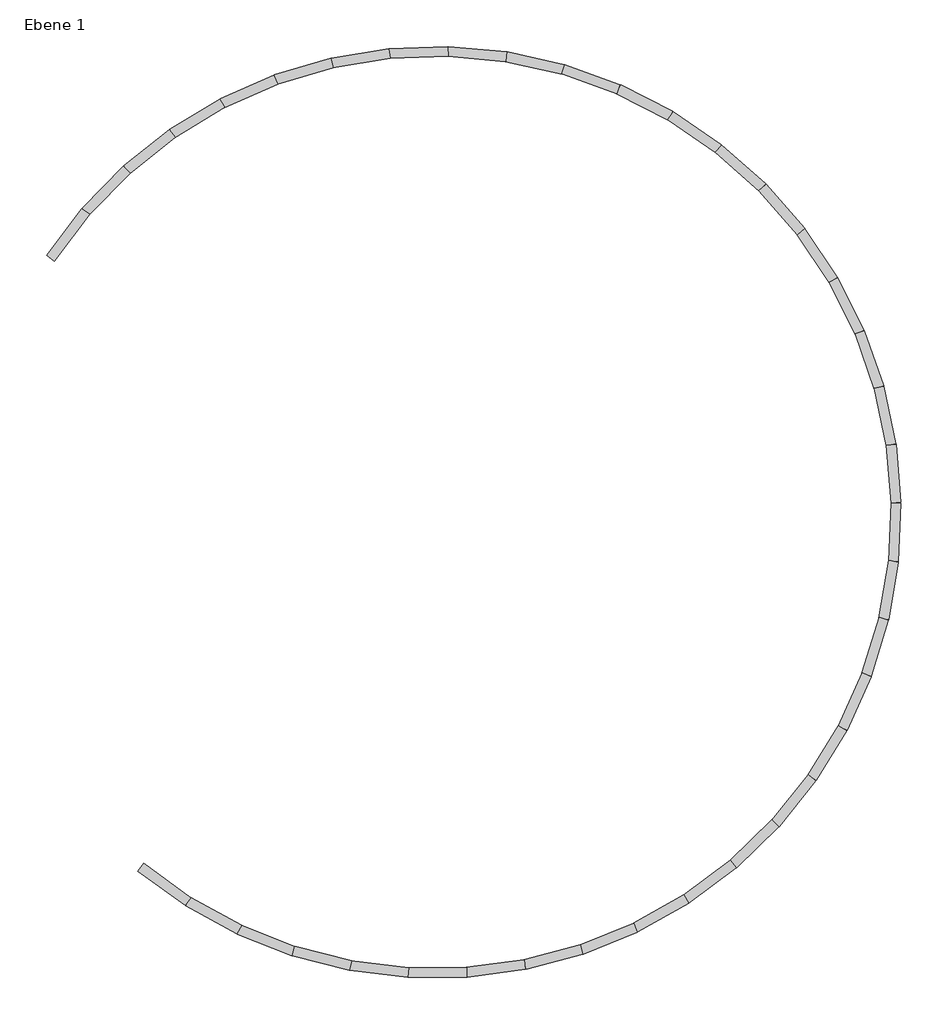
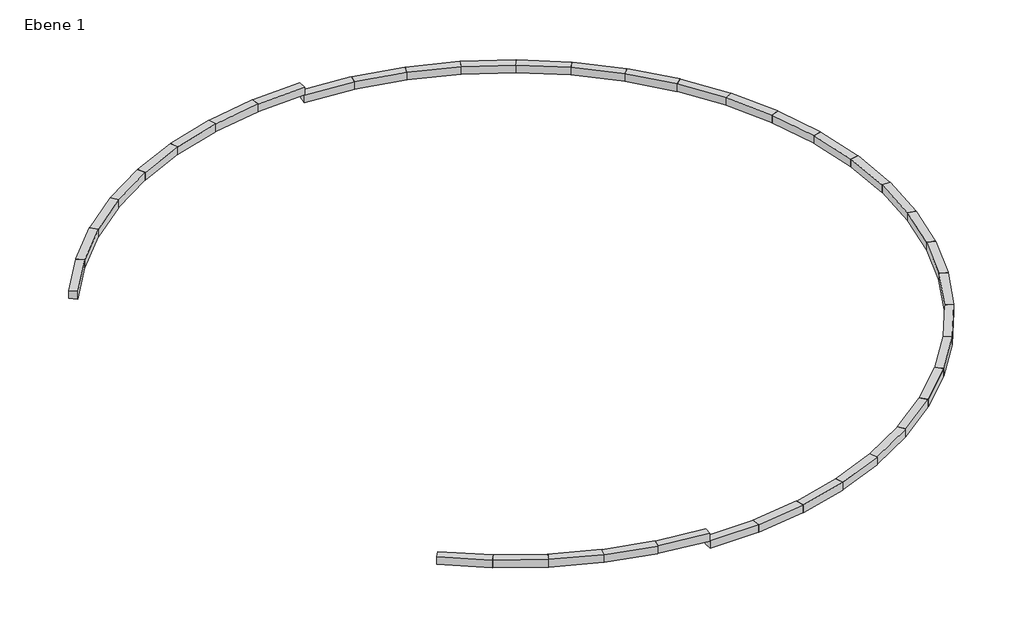
# One storey: 38 proxies.
"""IFC4 building model written with IfcOpenShell, lengths in millimetres."""

import ifcopenshell
import ifcopenshell.guid

model = None  # the IFC model being written
_history = None  # IfcOwnerHistory: only IFC2X3 demands one
_inside = {}  # id of a spatial element -> (the spatial element, [elements in it])
_under = {}  # id of a project, library or spatial element -> (it, [spatial elements below it])
_declared = {}  # id of a project -> (the project, [libraries it declares])
_typed = {}  # id of a type object -> (the type object, [elements of that type])
_made_of = {}  # id of a material, layer set ... -> (it, [elements and type objects made of it])


def new_model(schema):
    """Start an empty IFC model of exactly this schema.

    Asked for "IFC4X3", IfcOpenShell would pick the latest addendum, in which some entities
    have other attributes; the version numbers below select the first issue.
    IFC2X3 requires an IfcOwnerHistory on every rooted entity: one is made here for all.
    """
    global model, _history
    if schema == "IFC4X3":
        model = ifcopenshell.file(schema_version=(4, 3, 0, 0))
    else:
        model = ifcopenshell.file(schema=schema)
    _inside.clear()
    _under.clear()
    _declared.clear()
    _typed.clear()
    _made_of.clear()
    _history = None
    if model.schema == "IFC2X3":
        org = make("IfcOrganization", Name="unknown")
        user = make(
            "IfcPersonAndOrganization",
            ThePerson=make("IfcPerson", FamilyName="unknown"),
            TheOrganization=org,
        )
        app = make(
            "IfcApplication",
            ApplicationDeveloper=org,
            Version="unknown",
            ApplicationFullName="unknown",
            ApplicationIdentifier="unknown",
        )
        _history = make(
            "IfcOwnerHistory",
            OwningUser=user,
            OwningApplication=app,
            ChangeAction="ADDED",
            CreationDate=0,
        )
    return model


def make(cls, **values):
    """One entity of the class cls with the attributes given. An attribute that is None is left unset."""
    return model.create_entity(
        cls, **{name: value for name, value in values.items() if value is not None}
    )


def rooted(cls, **values):
    """An entity with a GlobalId (a new one), such as an element, a storey or a relation."""
    return make(cls, GlobalId=ifcopenshell.guid.new(), OwnerHistory=_history, **values)


def si_unit(unit_type, name, prefix=None):
    """IfcSIUnit, for example si_unit("LENGTHUNIT", "METRE", prefix="MILLI")."""
    return make("IfcSIUnit", UnitType=unit_type, Prefix=prefix, Name=name)


def assignment(units):
    """IfcUnitAssignment: the units of a project."""
    return None if units is None else make("IfcUnitAssignment", Units=units)


def point(xyz):
    """IfcCartesianPoint."""
    return None if xyz is None else make("IfcCartesianPoint", Coordinates=xyz)


def direction(xyz):
    """IfcDirection."""
    return None if xyz is None else make("IfcDirection", DirectionRatios=xyz)


def frame(location, z_axis=None, x_axis=None):
    """IfcAxis2Placement3D, a coordinate frame: its origin and axes. An axis left out is left unset."""
    return make(
        "IfcAxis2Placement3D",
        Location=point(location),
        Axis=direction(z_axis),
        RefDirection=direction(x_axis),
    )


def origin():
    """The frame at (0, 0, 0) with its axes left unset."""
    return frame((0.0, 0.0, 0.0))


def origin_with_axes():
    """The frame at (0, 0, 0) with the z axis (0, 0, 1) and the x axis (1, 0, 0) written out."""
    return frame((0.0, 0.0, 0.0), z_axis=(0.0, 0.0, 1.0), x_axis=(1.0, 0.0, 0.0))


def place(relative_to, where):
    """IfcLocalPlacement: puts the frame where relative to a parent placement (None: the world)."""
    return make(
        "IfcLocalPlacement", PlacementRelTo=relative_to, RelativePlacement=where
    )


def context(
    kind, dimensions, precision=None, world=None, true_north=None, identifier=None
):
    """IfcGeometricRepresentationContext, for example the 3D "Model" context."""
    return make(
        "IfcGeometricRepresentationContext",
        ContextIdentifier=identifier,
        ContextType=kind,
        CoordinateSpaceDimension=dimensions,
        Precision=precision,
        WorldCoordinateSystem=world,
        TrueNorth=true_north,
    )


def project(units=None, contexts=None):
    """IfcProject with its units and contexts."""
    return rooted(
        "IfcProject",
        Name="project",
        RepresentationContexts=contexts,
        UnitsInContext=assignment(units),
    )


def spatial(cls, under=None, at=None, **own):
    """A site, building, storey or space (cls), placed at a placement, below another one or the project."""
    s = rooted(cls, ObjectPlacement=at, **own)
    if under is not None:
        _under.setdefault(under.id(), (under, []))[1].append(s)
    return s


def polyline(points):
    """IfcPolyline through the points."""
    return make("IfcPolyline", Points=[point(p) for p in points])


def outline(outer, holes=None, kind="AREA"):
    """IfcArbitraryClosedProfileDef: a profile drawn as a closed curve; with holes, ...WithVoids."""
    if holes is None:
        return make("IfcArbitraryClosedProfileDef", ProfileType=kind, OuterCurve=outer)
    return make(
        "IfcArbitraryProfileDefWithVoids",
        ProfileType=kind,
        OuterCurve=outer,
        InnerCurves=holes,
    )


def extrude(swept, where, along, depth):
    """IfcExtrudedAreaSolid: the profile swept, set in the frame where, extruded along a direction by depth."""
    return make(
        "IfcExtrudedAreaSolid",
        SweptArea=swept,
        Position=where,
        ExtrudedDirection=direction(along),
        Depth=depth,
    )


def shape(context_of_items, identifier, shape_type, items):
    """IfcShapeRepresentation: the items that make up one representation, for example the "Body"."""
    return make(
        "IfcShapeRepresentation",
        ContextOfItems=context_of_items,
        RepresentationIdentifier=identifier,
        RepresentationType=shape_type,
        Items=items,
    )


def source(mapping_origin, context_of_items, identifier, shape_type, items):
    """IfcRepresentationMap: a shape defined once, which mapped items show again and again."""
    return make(
        "IfcRepresentationMap",
        MappingOrigin=mapping_origin,
        MappedRepresentation=shape(context_of_items, identifier, shape_type, items),
    )


def transform(
    local_origin,
    x_axis=None,
    y_axis=None,
    z_axis=None,
    scale=None,
    scale2=None,
    scale3=None,
    uniform=True,
):
    """IfcCartesianTransformationOperator3D, or its non-uniform kind. x_axis, y_axis, z_axis: its Axis1, 2, 3."""
    if uniform:
        return make(
            "IfcCartesianTransformationOperator3D",
            Axis1=direction(x_axis),
            Axis2=direction(y_axis),
            LocalOrigin=point(local_origin),
            Scale=scale,
            Axis3=direction(z_axis),
        )
    return make(
        "IfcCartesianTransformationOperator3DnonUniform",
        Axis1=direction(x_axis),
        Axis2=direction(y_axis),
        LocalOrigin=point(local_origin),
        Scale=scale,
        Axis3=direction(z_axis),
        Scale2=scale2,
        Scale3=scale3,
    )


def mapped(mapping_source, mapping_target):
    """IfcMappedItem: shows the shape of a source again, moved by a transform."""
    return make(
        "IfcMappedItem", MappingSource=mapping_source, MappingTarget=mapping_target
    )


def made_of(thing, what):
    """Note that an element or type object is made of a material, layer set ...; save() writes the relation."""
    if what is not None:
        _made_of.setdefault(what.id(), (what, []))[1].append(thing)
    return thing


def element(
    cls,
    number,
    at=None,
    inside=None,
    cuts=None,
    type_object=None,
    material=None,
    context=None,
    identifier="Body",
    shape_type=None,
    held_by="IfcProductDefinitionShape",
    body=None,
    shapes=None,
    **own,
):
    """One element of the class cls, such as IfcWall. Its Tag is "e" and its number.

    at: its placement. inside: the storey or other place that contains it. cuts: it is an
    opening in that element (IfcRelVoidsElement). A single representation is given by context,
    identifier, shape_type and body (its items); several are given by shapes. held_by: the class
    of the entity that holds the representations. save() writes the other relations.
    """
    e = rooted(cls, Tag="e%d" % number, ObjectPlacement=at, **own)
    if body is not None:
        shapes = [shape(context, identifier, shape_type, body)]
    if shapes is not None:
        e.Representation = make(held_by, Representations=shapes)
    if inside is not None:
        _inside.setdefault(inside.id(), (inside, []))[1].append(e)
    if cuts is not None:
        rooted(
            "IfcRelVoidsElement", RelatingBuildingElement=cuts, RelatedOpeningElement=e
        )
    if type_object is not None:
        _typed.setdefault(type_object.id(), (type_object, []))[1].append(e)
    return made_of(e, material)


def aggregate(whole, parts):
    """IfcRelAggregates: a whole, such as a stair, and the parts it consists of."""
    return rooted("IfcRelAggregates", RelatingObject=whole, RelatedObjects=parts)


def save(model, path):
    """Write the relations noted so far, then the file.

    IfcRelAggregates (storeys below a building ...), IfcRelContainedInSpatialStructure (elements
    in a storey), IfcRelDefinesByType, IfcRelAssociatesMaterial and IfcRelDeclares: one each for
    every whole, place, type object, material and project.
    """
    for whole, parts in _under.values():
        aggregate(whole, parts)
    for where, things in _inside.values():
        rooted(
            "IfcRelContainedInSpatialStructure",
            RelatedElements=things,
            RelatingStructure=where,
        )
    for kind, things in _typed.values():
        rooted("IfcRelDefinesByType", RelatedObjects=things, RelatingType=kind)
    for what, things in _made_of.values():
        rooted("IfcRelAssociatesMaterial", RelatedObjects=things, RelatingMaterial=what)
    for by, libraries in _declared.values():
        rooted("IfcRelDeclares", RelatingContext=by, RelatedDefinitions=libraries)
    model.write(path)


def box_adaptive_3point_box_adaptive_3point_2b2ba6e6(model_context):
    return source(origin(), model_context, "Body", "SweptSolid", [
        extrude(outline(polyline([(6000.0, -500.0), (0.0, -500.0), (0.0, 500.0), (6000.0, 500.0), (6000.0, -500.0)])), origin_with_axes(), (0.0, 0.0, 1.0), 1000.0),
    ])


model = new_model("IFC4")

# Units and contexts
model_context = context("Model", 3, world=origin())
ifc_project = project(units=[si_unit("LENGTHUNIT", "METRE", prefix="MILLI")], contexts=[model_context])

# Site, building, storey
site = spatial("IfcSite", under=ifc_project)
building = spatial("IfcBuilding", under=site)
storey = spatial("IfcBuildingStorey", under=building, Name="Ebene 1", Elevation=0.0)

# Proxies
placement = place(None, origin())
box_adaptive_3point_box_adaptive_3point_shape = box_adaptive_3point_box_adaptive_3point_2b2ba6e6(model_context)
element("IfcBuildingElementProxy", 1, Name="BOX_ADAPTIVE_3point : BOX_ADAPTIVE_3point", ObjectType="BOX_ADAPTIVE_3point : BOX_ADAPTIVE_3point", at=placement, inside=storey, context=model_context, shape_type="MappedRepresentation", body=[
    mapped(box_adaptive_3point_box_adaptive_3point_shape, transform((-20653.4331159, 7399.9712365, 0.0), x_axis=(0.8085888646382557, -0.5883740714741061, 0.0), y_axis=(0.5883740714741061, 0.8085888646382557, 0.0), z_axis=(0.0, 0.0, 1.0))),
])
element("IfcBuildingElementProxy", 2, Name="BOX_ADAPTIVE_3point : BOX_ADAPTIVE_3point", ObjectType="BOX_ADAPTIVE_3point : BOX_ADAPTIVE_3point", at=placement, inside=storey, context=model_context, shape_type="MappedRepresentation", body=[
    mapped(box_adaptive_3point_box_adaptive_3point_shape, transform((-15801.8999325, 3869.7268108, 0.0), x_axis=(0.8765374257512419, -0.4813337109089555, 0.0), y_axis=(0.4813337109089555, 0.8765374257512419, 0.0), z_axis=(0.0, 0.0, 1.0))),
])
element("IfcBuildingElementProxy", 3, Name="BOX_ADAPTIVE_3point : BOX_ADAPTIVE_3point", ObjectType="BOX_ADAPTIVE_3point : BOX_ADAPTIVE_3point", at=placement, inside=storey, context=model_context, shape_type="MappedRepresentation", body=[
    mapped(box_adaptive_3point_box_adaptive_3point_shape, transform((-10542.6753827, 981.724548, 0.0), x_axis=(0.9303959582610765, -0.3665560814547396, 0.0), y_axis=(0.3665560814547396, 0.9303959582610765, 0.0), z_axis=(0.0, 0.0, 1.0))),
])
element("IfcBuildingElementProxy", 4, Name="BOX_ADAPTIVE_3point : BOX_ADAPTIVE_3point", ObjectType="BOX_ADAPTIVE_3point : BOX_ADAPTIVE_3point", at=placement, inside=storey, context=model_context, shape_type="MappedRepresentation", body=[
    mapped(box_adaptive_3point_box_adaptive_3point_shape, transform((-4960.2996382, -1217.6119388, 0.0), x_axis=(0.9692987053371983, -0.2458861928446401, 0.0), y_axis=(0.2458861928446401, 0.9692987053371983, 0.0), z_axis=(0.0, 0.0, 1.0))),
])
element("IfcBuildingElementProxy", 5, Name="BOX_ADAPTIVE_3point : BOX_ADAPTIVE_3point", ObjectType="BOX_ADAPTIVE_3point : BOX_ADAPTIVE_3point", at=placement, inside=storey, context=model_context, shape_type="MappedRepresentation", body=[
    mapped(box_adaptive_3point_box_adaptive_3point_shape, transform((855.4925886, -2692.9290945, 0.0), x_axis=(0.9926203191017638, -0.1212637707904253, 0.0), y_axis=(0.1212637707904253, 0.9926203191017638, 0.0), z_axis=(0.0, 0.0, 1.0))),
])
element("IfcBuildingElementProxy", 6, Name="BOX_ADAPTIVE_3point : BOX_ADAPTIVE_3point", ObjectType="BOX_ADAPTIVE_3point : BOX_ADAPTIVE_3point", at=placement, inside=storey, context=model_context, shape_type="MappedRepresentation", body=[
    mapped(box_adaptive_3point_box_adaptive_3point_shape, transform((6811.2144978, -3420.5117186, 0.0), x_axis=(0.9999859128752537, 0.005307923421219801, 0.0), y_axis=(0.005307923421219801, -0.9999859128752537, 0.0), z_axis=(0.0, 0.0, -1.0))),
])
element("IfcBuildingElementProxy", 7, Name="BOX_ADAPTIVE_3point : BOX_ADAPTIVE_3point", ObjectType="BOX_ADAPTIVE_3point : BOX_ADAPTIVE_3point", at=placement, inside=storey, context=model_context, shape_type="MappedRepresentation", body=[
    mapped(box_adaptive_3point_box_adaptive_3point_shape, transform((12811.1299696, -3388.6641781, 0.0), x_axis=(0.9912770873470411, 0.13179429464421794, 0.0), y_axis=(0.13179429464421794, -0.9912770873470411, 0.0), z_axis=(0.0, 0.0, -1.0))),
])
element("IfcBuildingElementProxy", 8, Name="BOX_ADAPTIVE_3point : BOX_ADAPTIVE_3point", ObjectType="BOX_ADAPTIVE_3point : BOX_ADAPTIVE_3point", at=placement, inside=storey, context=model_context, shape_type="MappedRepresentation", body=[
    mapped(box_adaptive_3point_box_adaptive_3point_shape, transform((18758.7924883, -2597.8984109, 0.0), x_axis=(0.9666338338023661, 0.25616211926930077, 0.0), y_axis=(0.25616211926930077, -0.9666338338023661, 0.0), z_axis=(0.0, 0.0, -1.0))),
])
element("IfcBuildingElementProxy", 9, Name="BOX_ADAPTIVE_3point : BOX_ADAPTIVE_3point", ObjectType="BOX_ADAPTIVE_3point : BOX_ADAPTIVE_3point", at=placement, inside=storey, context=model_context, shape_type="MappedRepresentation", body=[
    mapped(box_adaptive_3point_box_adaptive_3point_shape, transform((24558.5954859, -1060.9256967, 0.0), x_axis=(0.9264522838120198, 0.37641222857326595, 0.0), y_axis=(0.37641222857326595, -0.9264522838120198, 0.0), z_axis=(0.0, 0.0, -1.0))),
])
element("IfcBuildingElementProxy", 10, Name="BOX_ADAPTIVE_3point : BOX_ADAPTIVE_3point", ObjectType="BOX_ADAPTIVE_3point : BOX_ADAPTIVE_3point", at=placement, inside=storey, context=model_context, shape_type="MappedRepresentation", body=[
    mapped(box_adaptive_3point_box_adaptive_3point_shape, transform((30117.3091837, 1197.5476727, 0.0), x_axis=(0.8713783415576714, 0.4906116446479869, 0.0), y_axis=(0.4906116446479869, -0.8713783415576714, 0.0), z_axis=(0.0, 0.0, -1.0))),
])
element("IfcBuildingElementProxy", 11, Name="BOX_ADAPTIVE_3point : BOX_ADAPTIVE_3point", ObjectType="BOX_ADAPTIVE_3point : BOX_ADAPTIVE_3point", at=placement, inside=storey, context=model_context, shape_type="MappedRepresentation", body=[
    mapped(box_adaptive_3point_box_adaptive_3point_shape, transform((35345.5792283, 4141.2175379, 0.0), x_axis=(0.8022973011509626, 0.5969246523355201, 0.0), y_axis=(0.5969246523355201, -0.8022973011509626, 0.0), z_axis=(0.0, 0.0, -1.0))),
])
element("IfcBuildingElementProxy", 12, Name="BOX_ADAPTIVE_3point : BOX_ADAPTIVE_3point", ObjectType="BOX_ADAPTIVE_3point : BOX_ADAPTIVE_3point", at=placement, inside=storey, context=model_context, shape_type="MappedRepresentation", body=[
    mapped(box_adaptive_3point_box_adaptive_3point_shape, transform((40159.3630309, 7722.7654487, 0.0), x_axis=(0.7203196158442836, 0.6936423076989637, 0.0), y_axis=(0.6936423076989637, -0.7203196158442836, 0.0), z_axis=(0.0, 0.0, -1.0))),
])
element("IfcBuildingElementProxy", 13, Name="BOX_ADAPTIVE_3point : BOX_ADAPTIVE_3point", ObjectType="BOX_ADAPTIVE_3point : BOX_ADAPTIVE_3point", at=placement, inside=storey, context=model_context, shape_type="MappedRepresentation", body=[
    mapped(box_adaptive_3point_box_adaptive_3point_shape, transform((44481.2807221, 11884.6192911, 0.0), x_axis=(0.6267630478881208, 0.7792099086908439, 0.0), y_axis=(0.7792099086908439, -0.6267630478881208, 0.0), z_axis=(0.0, 0.0, -1.0))),
])
element("IfcBuildingElementProxy", 14, Name="BOX_ADAPTIVE_3point : BOX_ADAPTIVE_3point", ObjectType="BOX_ADAPTIVE_3point : BOX_ADAPTIVE_3point", at=placement, inside=storey, context=model_context, shape_type="MappedRepresentation", body=[
    mapped(box_adaptive_3point_box_adaptive_3point_shape, transform((48241.859006, 16559.878739, 0.0), x_axis=(0.5231314859696901, 0.8522519864377813, 0.0), y_axis=(0.8522519864377813, -0.5231314859696901, 0.0), z_axis=(0.0, 0.0, -1.0))),
])
element("IfcBuildingElementProxy", 15, Name="BOX_ADAPTIVE_3point : BOX_ADAPTIVE_3point", ObjectType="BOX_ADAPTIVE_3point : BOX_ADAPTIVE_3point", at=placement, inside=storey, context=model_context, shape_type="MappedRepresentation", body=[
    mapped(box_adaptive_3point_box_adaptive_3point_shape, transform((51380.647919, 21673.390653, 0.0), x_axis=(0.41109077073507416, 0.9115944154153441, 0.0), y_axis=(0.9115944154153441, -0.41109077073507416, 0.0), z_axis=(0.0, 0.0, -1.0))),
])
element("IfcBuildingElementProxy", 16, Name="BOX_ADAPTIVE_3point : BOX_ADAPTIVE_3point", ObjectType="BOX_ADAPTIVE_3point : BOX_ADAPTIVE_3point", at=placement, inside=storey, context=model_context, shape_type="MappedRepresentation", body=[
    mapped(box_adaptive_3point_box_adaptive_3point_shape, transform((53847.1925411, 27142.9571406, 0.0), x_axis=(0.29244191699092226, 0.9562832870999445, 0.0), y_axis=(0.9562832870999445, -0.29244191699092226, 0.0), z_axis=(0.0, 0.0, -1.0))),
])
element("IfcBuildingElementProxy", 17, Name="BOX_ADAPTIVE_3point : BOX_ADAPTIVE_3point", ObjectType="BOX_ADAPTIVE_3point : BOX_ADAPTIVE_3point", at=placement, inside=storey, context=model_context, shape_type="MappedRepresentation", body=[
    mapped(box_adaptive_3point_box_adaptive_3point_shape, transform((55601.8440415, 32880.656858, 0.0), x_axis=(0.16909216302950408, 0.985600243710402, 0.0), y_axis=(0.985600243710402, -0.16909216302950408, 0.0), z_axis=(0.0, 0.0, -1.0))),
])
element("IfcBuildingElementProxy", 18, Name="BOX_ADAPTIVE_3point : BOX_ADAPTIVE_3point", ObjectType="BOX_ADAPTIVE_3point : BOX_ADAPTIVE_3point", at=placement, inside=storey, context=model_context, shape_type="MappedRepresentation", body=[
    mapped(box_adaptive_3point_box_adaptive_3point_shape, transform((56616.3970188, 38794.2583149, 0.0), x_axis=(0.043024312448753405, 0.9990740255548196, 0.0), y_axis=(0.9990740255548196, -0.043024312448753405, 0.0), z_axis=(0.0, 0.0, -1.0))),
])
element("IfcBuildingElementProxy", 19, Name="BOX_ADAPTIVE_3point : BOX_ADAPTIVE_3point", ObjectType="BOX_ADAPTIVE_3point : BOX_ADAPTIVE_3point", at=placement, inside=storey, context=model_context, shape_type="MappedRepresentation", body=[
    mapped(box_adaptive_3point_box_adaptive_3point_shape, transform((56874.5428932, 44788.7024628, 0.0), x_axis=(-0.08373513871313273, 0.9964880463631727, 0.0), y_axis=(0.9964880463631727, 0.08373513871313273, 0.0), z_axis=(0.0, 0.0, -1.0))),
])
element("IfcBuildingElementProxy", 20, Name="BOX_ADAPTIVE_3point : BOX_ADAPTIVE_3point", ObjectType="BOX_ADAPTIVE_3point : BOX_ADAPTIVE_3point", at=placement, inside=storey, context=model_context, shape_type="MappedRepresentation", body=[
    mapped(box_adaptive_3point_box_adaptive_3point_shape, transform((56372.1320614, 50767.6307356, 0.0), x_axis=(-0.2091485771836119, 0.9778838748348758, 0.0), y_axis=(0.9778838748348758, 0.2091485771836119, 0.0), z_axis=(0.0, 0.0, -1.0))),
])
element("IfcBuildingElementProxy", 21, Name="BOX_ADAPTIVE_3point : BOX_ADAPTIVE_3point", ObjectType="BOX_ADAPTIVE_3point : BOX_ADAPTIVE_3point", at=placement, inside=storey, context=model_context, shape_type="MappedRepresentation", body=[
    mapped(box_adaptive_3point_box_adaptive_3point_shape, transform((55117.2405994, 56634.9339793, 0.0), x_axis=(-0.33120002636733004, 0.943560566436665, 0.0), y_axis=(0.943560566436665, 0.33120002636733004, 0.0), z_axis=(0.0, 0.0, -1.0))),
])
element("IfcBuildingElementProxy", 22, Name="BOX_ADAPTIVE_3point : BOX_ADAPTIVE_3point", ObjectType="BOX_ADAPTIVE_3point : BOX_ADAPTIVE_3point", at=placement, inside=storey, context=model_context, shape_type="MappedRepresentation", body=[
    mapped(box_adaptive_3point_box_adaptive_3point_shape, transform((53130.040443, 62296.2973728, 0.0), x_axis=(-0.4479275524557028, 0.8940698561919217, 0.0), y_axis=(0.8940698561919217, 0.4479275524557028, 0.0), z_axis=(0.0, 0.0, -1.0))),
])
element("IfcBuildingElementProxy", 23, Name="BOX_ADAPTIVE_3point : BOX_ADAPTIVE_3point", ObjectType="BOX_ADAPTIVE_3point : BOX_ADAPTIVE_3point", at=placement, inside=storey, context=model_context, shape_type="MappedRepresentation", body=[
    mapped(box_adaptive_3point_box_adaptive_3point_shape, transform((50442.4751307, 67660.7165051, 0.0), x_axis=(-0.5574548018179304, 0.830207289735601, 0.0), y_axis=(0.830207289735601, 0.5574548018179304, 0.0), z_axis=(0.0, 0.0, -1.0))),
])
element("IfcBuildingElementProxy", 24, Name="BOX_ADAPTIVE_3point : BOX_ADAPTIVE_3point", ObjectType="BOX_ADAPTIVE_3point : BOX_ADAPTIVE_3point", at=placement, inside=storey, context=model_context, shape_type="MappedRepresentation", body=[
    mapped(box_adaptive_3point_box_adaptive_3point_shape, transform((47097.7463228, 72641.960239, 0.0), x_axis=(-0.6580211627208316, 0.752999435200004, 0.0), y_axis=(0.752999435200004, 0.6580211627208316, 0.0), z_axis=(0.0, 0.0, -1.0))),
])
element("IfcBuildingElementProxy", 25, Name="BOX_ADAPTIVE_3point : BOX_ADAPTIVE_3point", ObjectType="BOX_ADAPTIVE_3point : BOX_ADAPTIVE_3point", at=placement, inside=storey, context=model_context, shape_type="MappedRepresentation", body=[
    mapped(box_adaptive_3point_box_adaptive_3point_shape, transform((43149.6193501, 77159.9568461, 0.0), x_axis=(-0.7480100665388051, 0.6636873814956952, 0.0), y_axis=(0.6636873814956952, 0.7480100665388051, 0.0), z_axis=(0.0, 0.0, -1.0))),
])
element("IfcBuildingElementProxy", 26, Name="BOX_ADAPTIVE_3point : BOX_ADAPTIVE_3point", ObjectType="BOX_ADAPTIVE_3point : BOX_ADAPTIVE_3point", at=placement, inside=storey, context=model_context, shape_type="MappedRepresentation", body=[
    mapped(box_adaptive_3point_box_adaptive_3point_shape, transform((38661.5589549, 81142.0811315, 0.0), x_axis=(-0.825974973521797, 0.5637067882469279, 0.0), y_axis=(0.5637067882469279, 0.825974973521797, 0.0), z_axis=(0.0, 0.0, -1.0))),
])
element("IfcBuildingElementProxy", 27, Name="BOX_ADAPTIVE_3point : BOX_ADAPTIVE_3point", ObjectType="BOX_ADAPTIVE_3point : BOX_ADAPTIVE_3point", at=placement, inside=storey, context=model_context, shape_type="MappedRepresentation", body=[
    mapped(box_adaptive_3point_box_adaptive_3point_shape, transform((33705.7091183, 84524.3218579, 0.0), x_axis=(-0.8906626254093418, 0.45466480807176934, 0.0), y_axis=(0.45466480807176934, 0.8906626254093418, 0.0), z_axis=(0.0, 0.0, -1.0))),
])
element("IfcBuildingElementProxy", 28, Name="BOX_ADAPTIVE_3point : BOX_ADAPTIVE_3point", ObjectType="BOX_ADAPTIVE_3point : BOX_ADAPTIVE_3point", at=placement, inside=storey, context=model_context, shape_type="MappedRepresentation", body=[
    mapped(box_adaptive_3point_box_adaptive_3point_shape, transform((28361.7333706, 87252.3107039, 0.0), x_axis=(-0.9410331911131176, 0.338314252173128, 0.0), y_axis=(0.338314252173128, 0.9410331911131176, 0.0), z_axis=(0.0, 0.0, -1.0))),
])
element("IfcBuildingElementProxy", 29, Name="BOX_ADAPTIVE_3point : BOX_ADAPTIVE_3point", ObjectType="BOX_ADAPTIVE_3point : BOX_ADAPTIVE_3point", at=placement, inside=storey, context=model_context, shape_type="MappedRepresentation", body=[
    mapped(box_adaptive_3point_box_adaptive_3point_shape, transform((22715.5342291, 89282.1962151, 0.0), x_axis=(-0.9762769816333556, 0.21652541451955376, 0.0), y_axis=(0.21652541451955376, 0.9762769816333556, 0.0), z_axis=(0.0, 0.0, -1.0))),
])
element("IfcBuildingElementProxy", 30, Name="BOX_ADAPTIVE_3point : BOX_ADAPTIVE_3point", ObjectType="BOX_ADAPTIVE_3point : BOX_ADAPTIVE_3point", at=placement, inside=storey, context=model_context, shape_type="MappedRepresentation", body=[
    mapped(box_adaptive_3point_box_adaptive_3point_shape, transform((16857.8723446, 90581.348701, 0.0), x_axis=(-0.9958274655226492, 0.09125600753231132, 0.0), y_axis=(0.09125600753231132, 0.9958274655226492, 0.0), z_axis=(0.0, 0.0, -1.0))),
])
element("IfcBuildingElementProxy", 31, Name="BOX_ADAPTIVE_3point : BOX_ADAPTIVE_3point", ObjectType="BOX_ADAPTIVE_3point : BOX_ADAPTIVE_3point", at=placement, inside=storey, context=model_context, shape_type="MappedRepresentation", body=[
    mapped(box_adaptive_3point_box_adaptive_3point_shape, transform((10882.9075568, 91128.8847457, 0.0), x_axis=(-0.9993703756782927, -0.03548030744833351, 0.0), y_axis=(0.03548030744833351, -0.9993703756782927, 0.0), z_axis=(0.0, 0.0, 1.0))),
])
element("IfcBuildingElementProxy", 32, Name="BOX_ADAPTIVE_3point : BOX_ADAPTIVE_3point", ObjectType="BOX_ADAPTIVE_3point : BOX_ADAPTIVE_3point", at=placement, inside=storey, context=model_context, shape_type="MappedRepresentation", body=[
    mapped(box_adaptive_3point_box_adaptive_3point_shape, transform((4886.6853082, 90916.0029012, 0.0), x_axis=(-0.9868487610746197, -0.16164628905572903, 0.0), y_axis=(0.16164628905572903, -0.9868487610746197, 0.0), z_axis=(0.0, 0.0, 1.0))),
])
element("IfcBuildingElementProxy", 33, Name="BOX_ADAPTIVE_3point : BOX_ADAPTIVE_3point", ObjectType="BOX_ADAPTIVE_3point : BOX_ADAPTIVE_3point", at=placement, inside=storey, context=model_context, shape_type="MappedRepresentation", body=[
    mapped(box_adaptive_3point_box_adaptive_3point_shape, transform((-1034.4072529, 89946.1251678, 0.0), x_axis=(-0.9584639022305653, -0.2852138638302097, 0.0), y_axis=(0.2852138638302097, -0.9584639022305653, 0.0), z_axis=(0.0, 0.0, 1.0))),
])
element("IfcBuildingElementProxy", 34, Name="BOX_ADAPTIVE_3point : BOX_ADAPTIVE_3point", ObjectType="BOX_ADAPTIVE_3point : BOX_ADAPTIVE_3point", at=placement, inside=storey, context=model_context, shape_type="MappedRepresentation", body=[
    mapped(box_adaptive_3point_box_adaptive_3point_shape, transform((-6785.1906611, 88234.8419863, 0.0), x_axis=(-0.9146720756966378, -0.404196726781408, 0.0), y_axis=(0.404196726781408, -0.9146720756966378, 0.0), z_axis=(0.0, 0.0, 1.0))),
])
element("IfcBuildingElementProxy", 35, Name="BOX_ADAPTIVE_3point : BOX_ADAPTIVE_3point", ObjectType="BOX_ADAPTIVE_3point : BOX_ADAPTIVE_3point", at=placement, inside=storey, context=model_context, shape_type="MappedRepresentation", body=[
    mapped(box_adaptive_3point_box_adaptive_3point_shape, transform((-12273.2231103, 85809.6616278, 0.0), x_axis=(-0.8561772195709885, -0.5166822705374083, 0.0), y_axis=(0.5166822705374083, -0.8561772195709885, 0.0), z_axis=(0.0, 0.0, 1.0))),
])
element("IfcBuildingElementProxy", 36, Name="BOX_ADAPTIVE_3point : BOX_ADAPTIVE_3point", ObjectType="BOX_ADAPTIVE_3point : BOX_ADAPTIVE_3point", at=placement, inside=storey, context=model_context, shape_type="MappedRepresentation", body=[
    mapped(box_adaptive_3point_box_adaptive_3point_shape, transform((-17410.2864231, 82709.5680074, 0.0), x_axis=(-0.7839196179438752, -0.6208623298306388, 0.0), y_axis=(0.6208623298306388, -0.7839196179438752, 0.0), z_axis=(0.0, 0.0, 1.0))),
])
element("IfcBuildingElementProxy", 37, Name="BOX_ADAPTIVE_3point : BOX_ADAPTIVE_3point", ObjectType="BOX_ADAPTIVE_3point : BOX_ADAPTIVE_3point", at=placement, inside=storey, context=model_context, shape_type="MappedRepresentation", body=[
    mapped(box_adaptive_3point_box_adaptive_3point_shape, transform((-22113.8041265, 78984.3940318, 0.0), x_axis=(-0.6990607861640047, -0.7150622471140284, 0.0), y_axis=(0.7150622471140284, -0.6990607861640047, 0.0), z_axis=(0.0, 0.0, 1.0))),
])
element("IfcBuildingElementProxy", 38, Name="BOX_ADAPTIVE_3point : BOX_ADAPTIVE_3point", ObjectType="BOX_ADAPTIVE_3point : BOX_ADAPTIVE_3point", at=placement, inside=storey, context=model_context, shape_type="MappedRepresentation", body=[
    mapped(box_adaptive_3point_box_adaptive_3point_shape, transform((-26308.1688397, 74694.020553, 0.0), x_axis=(-0.6029647998907552, -0.7977677920878365, 0.0), y_axis=(0.7977677920878365, -0.6029647998907552, 0.0), z_axis=(0.0, 0.0, 1.0))),
])

save(model, "model.ifc")
